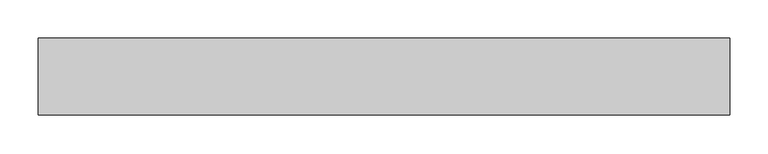
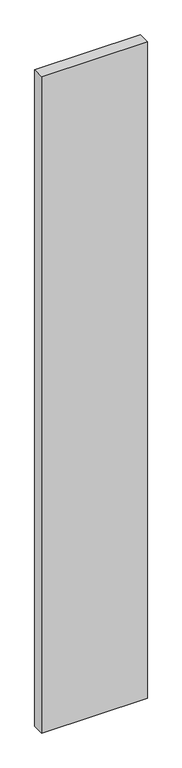
"""IFC4 building model written with IfcOpenShell, lengths in millimetres: proxy geometry."""

from ifc_helpers import new_model, si_unit, frame, origin, place, context, project, spatial, polyline, outline, extrude, source, transform, mapped, element, save


def generic_models_cd414a69(model_context):
    return source(origin(), model_context, "Body", "SweptSolid", [
        extrude(outline(polyline([(900.0, 100.0), (900.0, 0.0), (0.0, 0.0), (0.0, 100.0), (900.0, 100.0)])), frame((0.0, 0.0, -5900.0), z_axis=(0.0, 0.0, 1.0), x_axis=(1.0, 0.0, 0.0)), (0.0, 0.0, 1.0), 5900.0),
    ])


if __name__ == "__main__":
    model = new_model("IFC4")
    model_context = context("Model", 3, world=origin())
    ifc_project = project(units=[si_unit("LENGTHUNIT", "METRE", prefix="MILLI")], contexts=[model_context])
    site = spatial("IfcSite", under=ifc_project)
    building = spatial("IfcBuilding", under=site)
    placement = place(None, origin())
    generic_models_shape = generic_models_cd414a69(model_context)
    element("IfcBuildingElementProxy", 1, Name="Generic Models", at=placement, inside=building, context=model_context, shape_type="MappedRepresentation", body=[
        mapped(generic_models_shape, transform((0.0, 0.0, 0.0), x_axis=(1.0, 0.0, 0.0), y_axis=(0.0, 1.0, 0.0), z_axis=(0.0, 0.0, 1.0))),
    ])
    save(model, "model.ifc")
